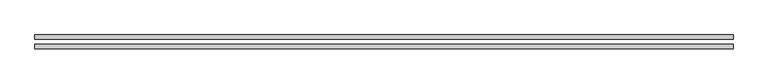
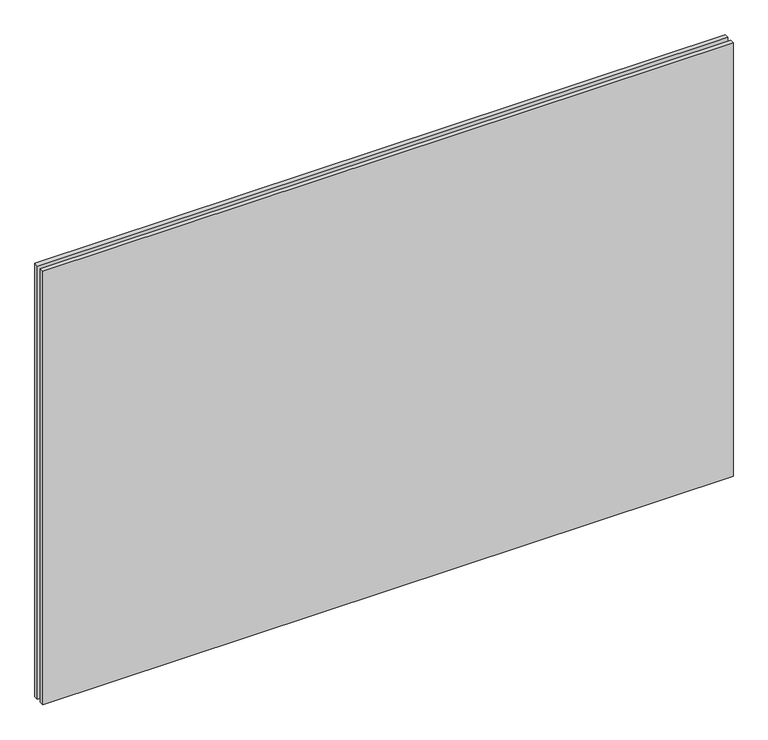
"""IFC4 building model written with IfcOpenShell, lengths in millimetres: plate geometry."""

from ifc_helpers import new_model, si_unit, origin, origin_with_axes, place, context, project, spatial, polyline, outline, extrude, source, transform, mapped, element, save


def plate_49270973(model_context):
    return source(origin(), model_context, "Body", "SweptSolid", [
        extrude(outline(polyline([(627.75, -40.8), (-627.75, -40.8), (-627.75, -32.8), (627.75, -32.8), (627.75, -40.8)])), origin_with_axes(), (0.0, 0.0, 1.0), 833.3),
        extrude(outline(polyline([(627.75, -23.8), (-627.75, -23.8), (-627.75, -15.8), (627.75, -15.8), (627.75, -23.8)])), origin_with_axes(), (0.0, 0.0, 1.0), 833.3),
    ])


if __name__ == "__main__":
    model = new_model("IFC4")
    model_context = context("Model", 3, world=origin())
    ifc_project = project(units=[si_unit("LENGTHUNIT", "METRE", prefix="MILLI")], contexts=[model_context])
    site = spatial("IfcSite", under=ifc_project)
    building = spatial("IfcBuilding", under=site)
    placement = place(None, origin())
    plate_shape = plate_49270973(model_context)
    element("IfcPlate", 1, at=placement, inside=building, context=model_context, shape_type="MappedRepresentation", body=[
        mapped(plate_shape, transform((0.0, 0.0, 0.0), x_axis=(1.0, 0.0, 0.0), y_axis=(0.0, 1.0, 0.0), z_axis=(0.0, 0.0, 1.0))),
    ])
    save(model, "model.ifc")
